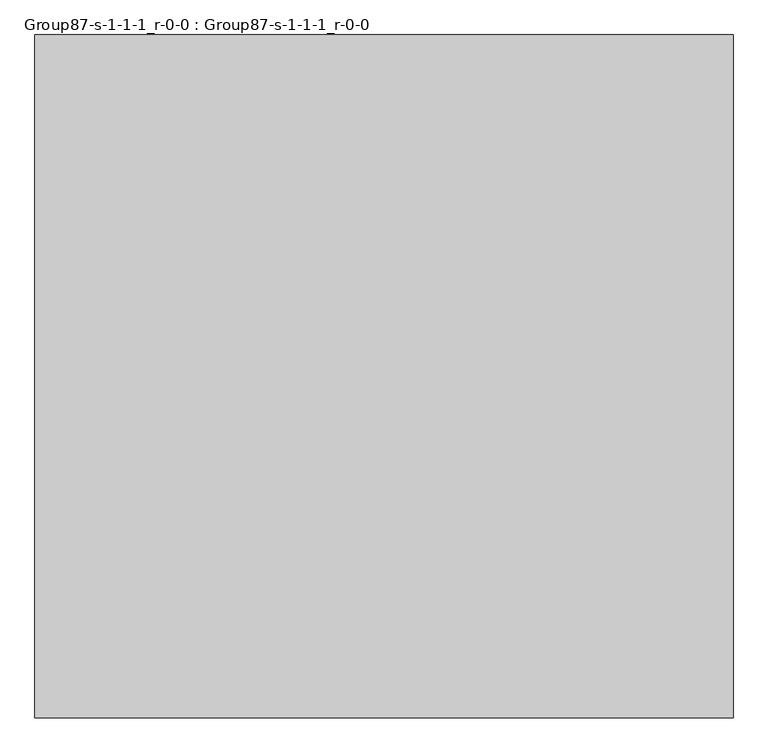
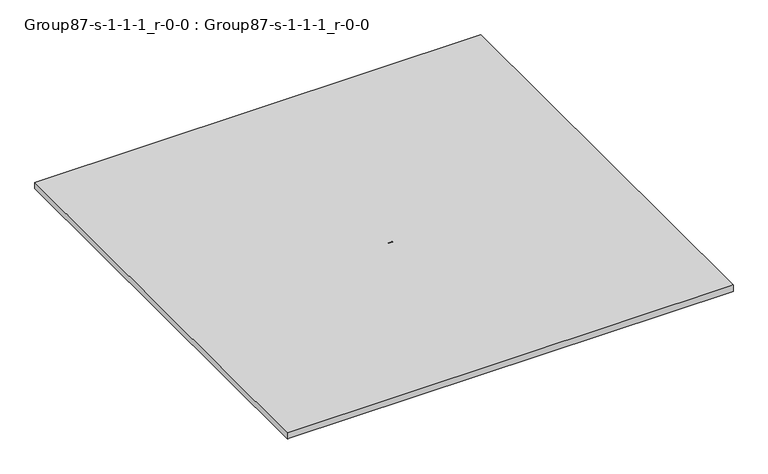
"""IFC4 building model written with IfcOpenShell, lengths in millimetres: proxy geometry, Group87-s-1-1-1_r-0-0 : Group87-s-1-1-1_r-0-0."""

from ifc_helpers import new_model, si_unit, origin, place, context, project, spatial, triangles, source, transform, mapped, element, save


def group87_s_1_1_1_r_0_0_group87_s_1_1_1_r_0_0_db363d1b(model_context):
    return source(origin(), model_context, "Body", "Tessellation", [
        triangles([(-100465.2165527, 397688.3953125, 9323.3873062), (-100465.2165527, -231125.4086426, 0.0), (-100465.2165527, -231125.4086426, 9323.3873062), (-100465.2165527, 397688.3953125, 0.0), (541859.7999023, 397688.3953125, 0.0), (541859.7999023, 397688.3953125, 9323.3873062), (541859.7999023, -231125.4086426, 9323.3873062), (541859.7999023, -231125.4086426, 0.0), (214492.7122559, 61858.6102661, 9323.3873062), (221096.718457, 61858.6102661, 9323.3873062), (221096.718457, 63585.8118164, 9323.3873062), (214492.7122559, 63585.8118164, 9323.3873062), (221096.718457, 61858.6102661, 8078.7876938), (214492.7122559, 63585.8118164, 8078.7876938), (214492.7122559, 61858.6102661, 8078.7876938), (221096.718457, 63585.8118164, 8078.7876938)], [[1, 2, 3], [2, 1, 4], [1, 5, 4], [5, 1, 6], [7, 2, 8], [2, 7, 3], [5, 7, 8], [7, 5, 6], [5, 2, 4], [2, 5, 8], [3, 9, 1], [9, 3, 7], [9, 7, 10], [10, 7, 11], [1, 12, 6], [12, 1, 9], [6, 12, 11], [6, 11, 7], [13, 14, 15], [14, 13, 16], [11, 13, 10], [13, 11, 16], [11, 14, 16], [14, 11, 12], [14, 9, 15], [9, 14, 12], [9, 13, 15], [13, 9, 10]]),
    ])


if __name__ == "__main__":
    model = new_model("IFC4")
    model_context = context("Model", 3, world=origin())
    ifc_project = project(units=[si_unit("LENGTHUNIT", "METRE", prefix="MILLI")], contexts=[model_context])
    site = spatial("IfcSite", under=ifc_project)
    building = spatial("IfcBuilding", under=site)
    placement = place(None, origin())
    group87_s_1_1_1_r_0_0_group87_s_1_1_1_r_0_0_shape = group87_s_1_1_1_r_0_0_group87_s_1_1_1_r_0_0_db363d1b(model_context)
    element("IfcBuildingElementProxy", 1, Name="Group87-s-1-1-1_r-0-0 : Group87-s-1-1-1_r-0-0", ObjectType="Group87-s-1-1-1_r-0-0 : Group87-s-1-1-1_r-0-0", at=placement, inside=building, context=model_context, shape_type="MappedRepresentation", body=[
        mapped(group87_s_1_1_1_r_0_0_group87_s_1_1_1_r_0_0_shape, transform((0.0, 0.0, 0.0), x_axis=(1.0, 0.0, 0.0), y_axis=(0.0, 1.0, 0.0), z_axis=(0.0, 0.0, 1.0))),
    ])
    save(model, "model.ifc")
